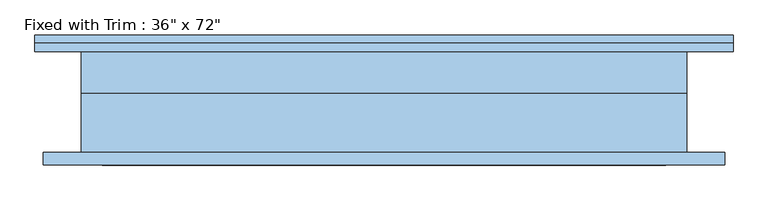
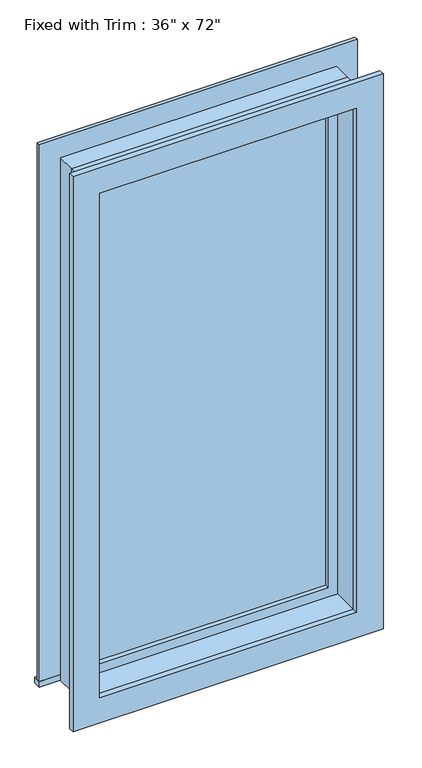
"""IFC4 building model written with IfcOpenShell, lengths in millimetres: window geometry."""

from ifc_helpers import new_model, si_unit, frame, origin, place, context, project, spatial, polyline, outline, extrude, source, transform, mapped, element, save


def window_deb0ed11(model_context):
    return source(origin(), model_context, "Body", "SweptSolid", [
        extrude(outline(polyline([(-565.15, 101.6), (488.95, 101.6), (488.95, 76.2), (-565.15, 76.2), (-565.15, 101.6)])), frame((0.0, 0.0, 304.8), z_axis=(0.0, 0.0, 1.0), x_axis=(1.0, 0.0, 0.0)), (0.0, 0.0, 1.0), 19.05),
        extrude(outline(polyline([(2114.55, -476.25), (2114.55, 400.05), (323.85, 400.05), (323.85, 488.95), (2203.45, 488.95), (2203.45, -565.15), (323.85, -565.15), (323.85, -476.25), (2114.55, -476.25)])), frame((0.0, 76.2, 0.0), z_axis=(0.0, 1.0, 0.0), x_axis=(0.0, 0.0, 1.0)), (0.0, 0.0, 1.0), 12.7),
        extrude(outline(polyline([(2190.75, 476.25), (2190.75, -552.45), (247.65, -552.45), (247.65, 476.25), (2190.75, 476.25)]), holes=[polyline([(2101.85, 387.35), (336.55, 387.35), (336.55, -463.55), (2101.85, -463.55), (2101.85, 387.35)])]), frame((0.0, -95.25, 0.0), z_axis=(0.0, 1.0, 0.0), x_axis=(0.0, 0.0, 1.0)), (0.0, 0.0, 1.0), 19.05),
        extrude(outline(polyline([(355.6, 28.575), (-431.8, 28.575), (-431.8, 41.275), (355.6, 41.275), (355.6, 28.575)])), frame((0.0, 0.0, 368.3), z_axis=(0.0, 0.0, 1.0), x_axis=(1.0, 0.0, 0.0)), (0.0, 0.0, 1.0), 1701.8),
        extrude(outline(polyline([(2114.55, -476.25), (323.85, -476.25), (323.85, 400.05), (2114.55, 400.05), (2114.55, -476.25)]), holes=[polyline([(2070.1, -431.8), (2070.1, 355.6), (368.3, 355.6), (368.3, -431.8), (2070.1, -431.8)])]), frame((0.0, 12.7, 0.0), z_axis=(0.0, 1.0, 0.0), x_axis=(0.0, 0.0, 1.0)), (0.0, 0.0, 1.0), 44.45),
        extrude(outline(polyline([(2133.6, -495.3), (304.8, -495.3), (304.8, 419.1), (2133.6, 419.1), (2133.6, -495.3)]), holes=[polyline([(2101.85, -463.55), (2101.85, 387.35), (336.55, 387.35), (336.55, -463.55), (2101.85, -463.55)])]), frame((0.0, -76.2, 0.0), z_axis=(0.0, 1.0, 0.0), x_axis=(0.0, 0.0, 1.0)), (0.0, 0.0, 1.0), 88.9),
        extrude(outline(polyline([(2133.6, 419.1), (2133.6, -495.3), (304.8, -495.3), (304.8, 419.1), (2133.6, 419.1)]), holes=[polyline([(2114.55, 400.05), (323.85, 400.05), (323.85, -476.25), (2114.55, -476.25), (2114.55, 400.05)])]), frame((0.0, 12.7, 0.0), z_axis=(0.0, 1.0, 0.0), x_axis=(0.0, 0.0, 1.0)), (0.0, 0.0, 1.0), 63.5),
    ])


if __name__ == "__main__":
    model = new_model("IFC4")
    model_context = context("Model", 3, world=origin())
    ifc_project = project(units=[si_unit("LENGTHUNIT", "METRE", prefix="MILLI")], contexts=[model_context])
    site = spatial("IfcSite", under=ifc_project)
    building = spatial("IfcBuilding", under=site)
    placement = place(None, origin())
    window_shape = window_deb0ed11(model_context)
    element("IfcWindow", 1, ObjectType="Fixed with Trim : 36\" x 72\"", at=placement, inside=building, context=model_context, shape_type="MappedRepresentation", body=[
        mapped(window_shape, transform((0.0, 0.0, 0.0), x_axis=(1.0, 0.0, 0.0), y_axis=(0.0, 1.0, 0.0), z_axis=(0.0, 0.0, 1.0))),
    ])
    save(model, "model.ifc")
